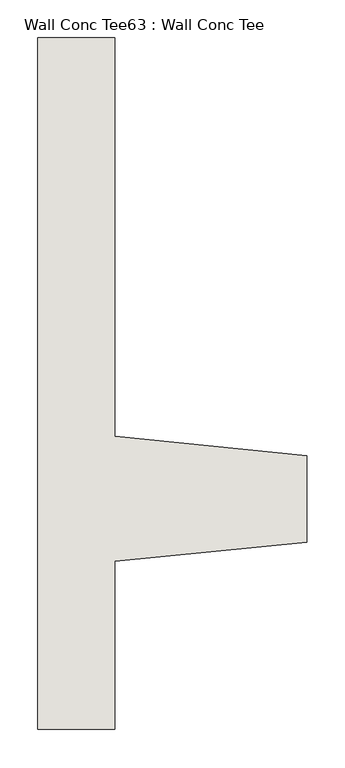
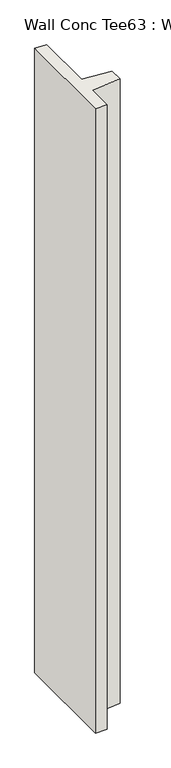
"""IFC4 building model written with IfcOpenShell, lengths in millimetres: wall geometry, Wall Conc Tee63 : Wall Conc Tee."""

from ifc_helpers import new_model, si_unit, frame, origin, place, context, project, spatial, polyline, outline, extrude, source, transform, mapped, element, save


def wall_conc_tee63_wall_conc_tee_d5d998dd(model_context):
    return source(origin(), model_context, "Body", "SweptSolid", [
        extrude(outline(polyline([(240653.0728488, 167221.6596581), (240653.0728488, 168136.0596581), (240754.6728488, 168136.0596581), (240754.6728488, 167609.0096581), (241008.6728488, 167583.6096581), (241008.6728488, 167469.3096581), (240754.6728488, 167443.9096581), (240754.6728488, 167221.6596581), (240653.0728488, 167221.6596581)])), frame((0.0, 0.0, 143.7592564), z_axis=(0.0, 0.0, 1.0), x_axis=(1.0, 0.0, 0.0)), (0.0, 0.0, 1.0), 5740.4),
    ])


if __name__ == "__main__":
    model = new_model("IFC4")
    model_context = context("Model", 3, world=origin())
    ifc_project = project(units=[si_unit("LENGTHUNIT", "METRE", prefix="MILLI")], contexts=[model_context])
    site = spatial("IfcSite", under=ifc_project)
    building = spatial("IfcBuilding", under=site)
    placement = place(None, origin())
    wall_conc_tee63_wall_conc_tee_shape = wall_conc_tee63_wall_conc_tee_d5d998dd(model_context)
    element("IfcWall", 1, ObjectType="Wall Conc Tee63 : Wall Conc Tee", at=placement, inside=building, context=model_context, shape_type="MappedRepresentation", body=[
        mapped(wall_conc_tee63_wall_conc_tee_shape, transform((0.0, 0.0, 0.0), x_axis=(1.0, 0.0, 0.0), y_axis=(0.0, 1.0, 0.0), z_axis=(0.0, 0.0, 1.0))),
    ])
    save(model, "model.ifc")
